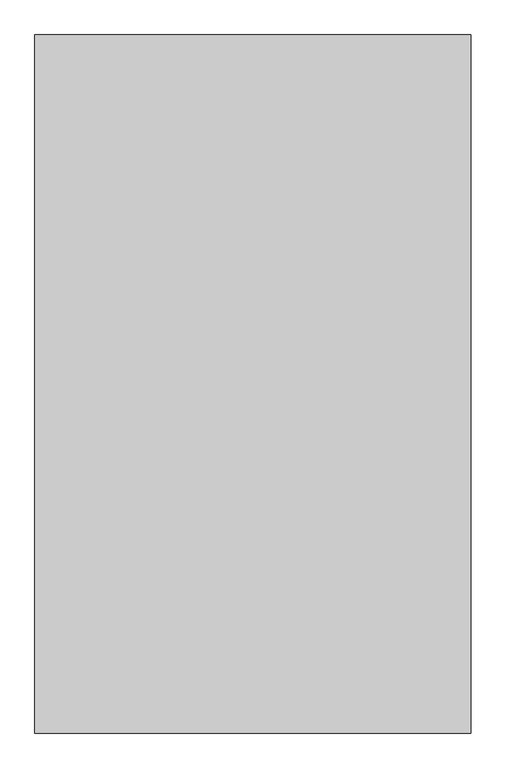
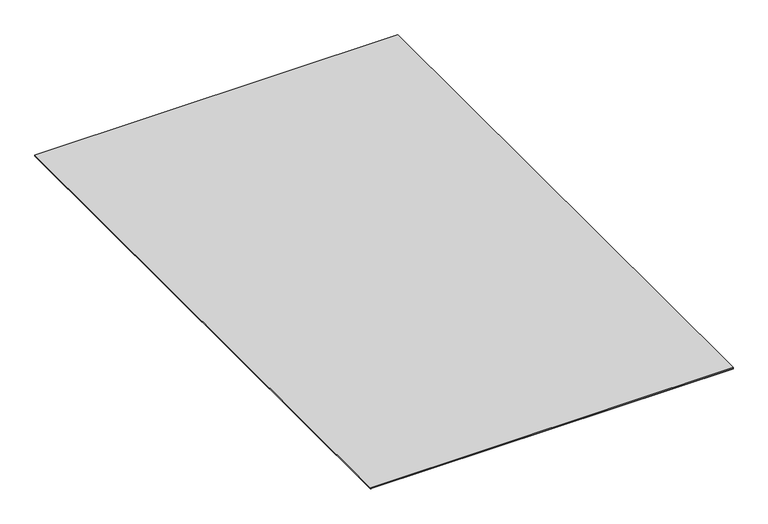
"""IFC4 building model written with IfcOpenShell, lengths in millimetres: proxy geometry."""

from ifc_helpers import new_model, si_unit, frame, origin, origin_with_axes, place, context, project, spatial, polyline, outline, extrude, source, transform, mapped, element, save


def specialty_equipment_dc94014f(model_context):
    return source(origin(), model_context, "Body", "SweptSolid", [
        extrude(outline(polyline([(762.0, -1219.2), (-762.0, -1219.2), (-762.0, 1219.2), (762.0, 1219.2), (762.0, -1219.2)])), frame((0.0, 0.0, 1.984375), z_axis=(0.0, 0.0, 1.0), x_axis=(1.0, 0.0, 0.0)), (0.0, 0.0, 1.0), 3.96875),
        extrude(outline(polyline([(762.0, 1219.2), (762.0, -1219.2), (-762.0, -1219.2), (-762.0, 1219.2), (762.0, 1219.2)])), origin_with_axes(), (0.0, 0.0, 1.0), 1.984375),
    ])


if __name__ == "__main__":
    model = new_model("IFC4")
    model_context = context("Model", 3, world=origin())
    ifc_project = project(units=[si_unit("LENGTHUNIT", "METRE", prefix="MILLI")], contexts=[model_context])
    site = spatial("IfcSite", under=ifc_project)
    building = spatial("IfcBuilding", under=site)
    placement = place(None, origin())
    specialty_equipment_shape = specialty_equipment_dc94014f(model_context)
    element("IfcBuildingElementProxy", 1, Name="Specialty Equipment", at=placement, inside=building, context=model_context, shape_type="MappedRepresentation", body=[
        mapped(specialty_equipment_shape, transform((0.0, 0.0, 0.0), x_axis=(1.0, 0.0, 0.0), y_axis=(0.0, 1.0, 0.0), z_axis=(0.0, 0.0, 1.0))),
    ])
    save(model, "model.ifc")
